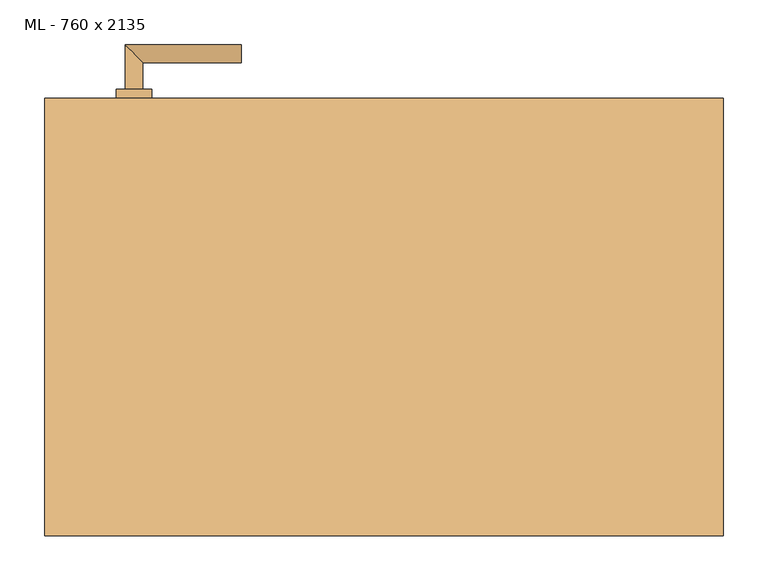
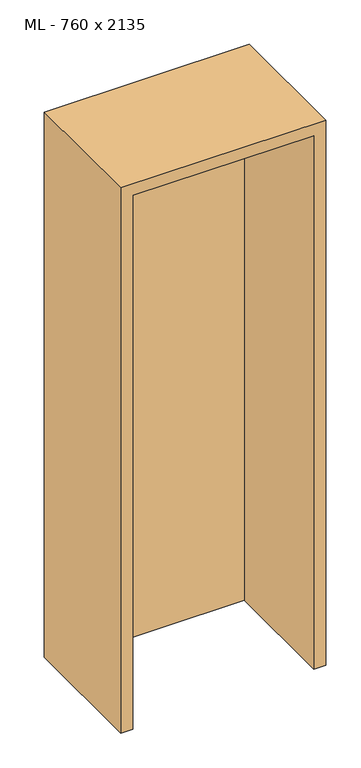
"""IFC4 building model written with IfcOpenShell, lengths in millimetres: door geometry, ML - 760 x 2135."""

from ifc_helpers import new_model, si_unit, point, frame, frame_2d, origin, origin_with_axes, place, context, project, spatial, polyline, circle_curve, ellipse_curve, trimmed, segment, composite_curve, outline, extrude, faceted_brep, source, transform, mapped, element, save
from ifc_brep_helpers import plane_surface, cylinder_surface, advanced_brep


def ml_760_x_2135_b088489d(model_context):
    return source(origin(), model_context, "Body", "SolidModel", [
        extrude(outline(polyline([(346.0, 245.0), (346.0, 200.0), (-346.0, 200.0), (-346.0, 245.0), (346.0, 245.0)])), origin_with_axes(), (0.0, 0.0, 1.0), 2101.0),
        advanced_brep(
        [(-270.0, 255.0, 1050.0), (-290.0, 255.0, 1050.0), (-270.0, 285.0, 1050.0), (-290.0, 305.0, 1050.0), (-160.0, 285.0, 1050.0), (-160.0, 305.0, 1050.0)],
        [
            (0, 1, circle_curve(frame((-280.0, 255.0, 1050.0), z_axis=(0.0, -1.0, 0.0), x_axis=(-1.0, 0.0, 0.0)), 10.0)),
            (1, 0, circle_curve(frame((-280.0, 255.0, 1050.0), z_axis=(0.0, -1.0, 0.0), x_axis=(-1.0, 0.0, 0.0)), 10.0)),
            (0, 2),
            (2, 3, ellipse_curve(frame((-280.0, 295.0, 1050.0), z_axis=(-0.7071067811865531, -0.7071067811865419, 0.0), x_axis=(0.707106781186542, -0.707106781186553, 0.0)), 14.1421356, 10.0)),
            (3, 1),
            (3, 2, ellipse_curve(frame((-280.0, 295.0, 1050.0), z_axis=(-0.7071067811865531, -0.7071067811865419, 0.0), x_axis=(0.707106781186542, -0.707106781186553, 0.0)), 14.1421356, 10.0)),
            (4, 5, circle_curve(frame((-160.0, 295.0, 1050.0), z_axis=(1.0, 0.0, 0.0), x_axis=(0.0, 1.0, 0.0)), 10.0)),
            (5, 4, circle_curve(frame((-160.0, 295.0, 1050.0), z_axis=(1.0, 0.0, 0.0), x_axis=(0.0, 1.0, 0.0)), 10.0)),
            (2, 4),
            (5, 3),
        ],
        [
            plane_surface(frame((-280.0, 255.0, 1050.0), z_axis=(0.0, -1.0, 0.0), x_axis=(0.0, 0.0, 1.0))),
            cylinder_surface(frame((-280.0, 255.0, 1050.0), z_axis=(0.0, -1.0, 0.0), x_axis=(-1.0, 0.0, 0.0)), 10.0),
            plane_surface(frame((-160.0, 295.0, 1050.0), z_axis=(1.0, 0.0, 0.0), x_axis=(0.0, 0.0, 1.0))),
            cylinder_surface(frame((-280.0, 295.0, 1050.0), z_axis=(-1.0, 0.0, 0.0), x_axis=(0.0, 1.0, 0.0)), 10.0),
        ],
        [
            (0, [[1, 2]]),
            (1, [[-1, 3, 4, 5]]),
            (1, [[-2, -5, 6, -3]]),
            (2, [[7, 8]]),
            (3, [[-4, 9, -8, 10]]),
            (3, [[-6, -10, -7, -9]]),
        ],
    ),
        extrude(outline(composite_curve([segment(trimmed(circle_curve(frame_2d((990.0, -280.0)), 20.0), [point((990.0, -300.0))], [point((990.0, -260.0))], False, "CARTESIAN"), True, "CONTINUOUS"), segment(trimmed(circle_curve(frame_2d((990.0, -280.0)), 20.0), [point((990.0, -260.0))], [point((990.0, -300.0))], False, "CARTESIAN"), True, "CONTINUOUS")], self_intersect=False), holes=[composite_curve([segment(polyline([(976.4601385, -282.397268), (988.4749012, -282.397268)]), True, "CONTINUOUS"), segment(trimmed(circle_curve(frame_2d((995.0361633, -280.0)), 6.9854888), [point((988.4749012, -282.397268))], [point((988.4749012, -277.602732))], True, "CARTESIAN"), True, "CONTINUOUS"), segment(polyline([(988.4749012, -277.602732), (976.4601385, -277.602732)]), True, "CONTINUOUS"), segment(trimmed(circle_curve(frame_2d((976.4601385, -280.0)), 2.397268), [point((976.4601385, -277.602732))], [point((976.4601385, -282.397268))], True, "CARTESIAN"), True, "CONTINUOUS")], self_intersect=False)]), frame((0.0, 245.0, 0.0), z_axis=(0.0, 1.0, 0.0), x_axis=(0.0, 0.0, 1.0)), (0.0, 0.0, 1.0), 10.0),
        advanced_brep(
        [(-270.0, 255.0, 1050.0), (-290.0, 255.0, 1050.0), (-270.0, 285.0, 1050.0), (-290.0, 305.0, 1050.0), (-160.0, 285.0, 1050.0), (-160.0, 305.0, 1050.0)],
        [
            (0, 1, circle_curve(frame((-280.0, 255.0, 1050.0), z_axis=(0.0, -1.0, 0.0), x_axis=(-1.0, 0.0, 0.0)), 10.0)),
            (1, 0, circle_curve(frame((-280.0, 255.0, 1050.0), z_axis=(0.0, -1.0, 0.0), x_axis=(-1.0, 0.0, 0.0)), 10.0)),
            (0, 2),
            (2, 3, ellipse_curve(frame((-280.0, 295.0, 1050.0), z_axis=(-0.7071067811865537, -0.7071067811865414, 0.0), x_axis=(0.7071067811865414, -0.7071067811865536, 0.0)), 14.1421356, 10.0)),
            (3, 1),
            (3, 2, ellipse_curve(frame((-280.0, 295.0, 1050.0), z_axis=(-0.7071067811865537, -0.7071067811865414, 0.0), x_axis=(0.7071067811865414, -0.7071067811865536, 0.0)), 14.1421356, 10.0)),
            (4, 5, circle_curve(frame((-160.0, 295.0, 1050.0), z_axis=(1.0, 0.0, 0.0), x_axis=(0.0, 1.0, 0.0)), 10.0)),
            (5, 4, circle_curve(frame((-160.0, 295.0, 1050.0), z_axis=(1.0, 0.0, 0.0), x_axis=(0.0, 1.0, 0.0)), 10.0)),
            (2, 4),
            (5, 3),
        ],
        [
            plane_surface(frame((-280.0, 255.0, 1050.0), z_axis=(0.0, -1.0, 0.0), x_axis=(0.0, 0.0, 1.0))),
            cylinder_surface(frame((-280.0, 255.0, 1050.0), z_axis=(0.0, -1.0, 0.0), x_axis=(-1.0, 0.0, 0.0)), 10.0),
            plane_surface(frame((-160.0, 295.0, 1050.0), z_axis=(1.0, 0.0, 0.0), x_axis=(0.0, 0.0, 1.0))),
            cylinder_surface(frame((-280.0, 295.0, 1050.0), z_axis=(-1.0, 0.0, 0.0), x_axis=(0.0, 1.0, 0.0)), 10.0),
        ],
        [
            (0, [[1, 2]]),
            (1, [[-1, 3, 4, 5]]),
            (1, [[-2, -5, 6, -3]]),
            (2, [[7, 8]]),
            (3, [[-4, 9, -8, 10]]),
            (3, [[-6, -10, -7, -9]]),
        ],
    ),
        extrude(outline(composite_curve([segment(trimmed(circle_curve(frame_2d((1050.0, -280.0)), 20.0), [point((1050.0, -300.0))], [point((1050.0, -260.0))], False, "CARTESIAN"), True, "CONTINUOUS"), segment(trimmed(circle_curve(frame_2d((1050.0, -280.0)), 20.0), [point((1050.0, -260.0))], [point((1050.0, -300.0))], False, "CARTESIAN"), True, "CONTINUOUS")], self_intersect=False)), frame((0.0, 245.0, 0.0), z_axis=(0.0, 1.0, 0.0), x_axis=(0.0, 0.0, 1.0)), (0.0, 0.0, 1.0), 10.0),
        advanced_brep(
        [(-270.0, 190.0, 1050.0), (-290.0, 190.0, 1050.0), (-290.0, 140.0, 1050.0), (-270.0, 160.0, 1050.0), (-160.0, 160.0, 1050.0), (-160.0, 140.0, 1050.0)],
        [
            (0, 1, circle_curve(frame((-280.0, 190.0, 1050.0), z_axis=(0.0, 1.0, 0.0), x_axis=(-1.0, 0.0, 0.0)), 10.0)),
            (1, 0, circle_curve(frame((-280.0, 190.0, 1050.0), z_axis=(0.0, 1.0, 0.0), x_axis=(-1.0, 0.0, 0.0)), 10.0)),
            (1, 2),
            (2, 3, ellipse_curve(frame((-280.0, 150.0, 1050.0), z_axis=(-0.7071067811865486, 0.7071067811865464, 0.0), x_axis=(0.7071067811865464, 0.7071067811865488, 0.0)), 14.1421356, 10.0)),
            (3, 0),
            (3, 2, ellipse_curve(frame((-280.0, 150.0, 1050.0), z_axis=(-0.7071067811865486, 0.7071067811865464, 0.0), x_axis=(0.7071067811865464, 0.7071067811865488, 0.0)), 14.1421356, 10.0)),
            (4, 5, circle_curve(frame((-160.0, 150.0, 1050.0), z_axis=(1.0, 0.0, 0.0), x_axis=(0.0, -1.0, 0.0)), 10.0)),
            (5, 4, circle_curve(frame((-160.0, 150.0, 1050.0), z_axis=(1.0, 0.0, 0.0), x_axis=(0.0, -1.0, 0.0)), 10.0)),
            (2, 5),
            (4, 3),
        ],
        [
            plane_surface(frame((-280.0, 190.0, 1050.0), z_axis=(0.0, 1.0, 0.0), x_axis=(0.0, 0.0, 1.0))),
            cylinder_surface(frame((-280.0, 190.0, 1050.0), z_axis=(0.0, 1.0, 0.0), x_axis=(-1.0, 0.0, 0.0)), 10.0),
            plane_surface(frame((-160.0, 150.0, 1050.0), z_axis=(1.0, 0.0, 0.0), x_axis=(0.0, 0.0, 1.0))),
            cylinder_surface(frame((-280.0, 150.0, 1050.0), z_axis=(-1.0, 0.0, 0.0), x_axis=(0.0, -1.0, 0.0)), 10.0),
        ],
        [
            (0, [[1, 2]]),
            (1, [[3, 4, 5, -2]]),
            (1, [[-5, 6, -3, -1]]),
            (2, [[7, 8]]),
            (3, [[9, -7, 10, -4]]),
            (3, [[-10, -8, -9, -6]]),
        ],
    ),
        extrude(outline(composite_curve([segment(trimmed(circle_curve(frame_2d((990.0, -280.0)), 20.0), [point((990.0, -300.0))], [point((990.0, -260.0))], False, "CARTESIAN"), True, "CONTINUOUS"), segment(trimmed(circle_curve(frame_2d((990.0, -280.0)), 20.0), [point((990.0, -260.0))], [point((990.0, -300.0))], False, "CARTESIAN"), True, "CONTINUOUS")], self_intersect=False), holes=[composite_curve([segment(polyline([(976.4601385, -282.397268), (988.4749012, -282.397268)]), True, "CONTINUOUS"), segment(trimmed(circle_curve(frame_2d((995.0361633, -280.0)), 6.9854888), [point((988.4749012, -282.397268))], [point((988.4749012, -277.602732))], True, "CARTESIAN"), True, "CONTINUOUS"), segment(polyline([(988.4749012, -277.602732), (976.4601385, -277.602732)]), True, "CONTINUOUS"), segment(trimmed(circle_curve(frame_2d((976.4601385, -280.0)), 2.397268), [point((976.4601385, -277.602732))], [point((976.4601385, -282.397268))], True, "CARTESIAN"), True, "CONTINUOUS")], self_intersect=False)]), frame((0.0, 190.0, 0.0), z_axis=(0.0, 1.0, 0.0), x_axis=(0.0, 0.0, 1.0)), (0.0, 0.0, 1.0), 10.0),
        advanced_brep(
        [(-270.0, 190.0, 1050.0), (-290.0, 190.0, 1050.0), (-290.0, 140.0, 1050.0), (-270.0, 160.0, 1050.0), (-160.0, 160.0, 1050.0), (-160.0, 140.0, 1050.0)],
        [
            (0, 1, circle_curve(frame((-280.0, 190.0, 1050.0), z_axis=(0.0, 1.0, 0.0), x_axis=(-1.0, 0.0, 0.0)), 10.0)),
            (1, 0, circle_curve(frame((-280.0, 190.0, 1050.0), z_axis=(0.0, 1.0, 0.0), x_axis=(-1.0, 0.0, 0.0)), 10.0)),
            (1, 2),
            (2, 3, ellipse_curve(frame((-280.0, 150.0, 1050.0), z_axis=(-0.7071067811865491, 0.7071067811865459, 0.0), x_axis=(0.7071067811865458, 0.7071067811865492, 0.0)), 14.1421356, 10.0)),
            (3, 0),
            (3, 2, ellipse_curve(frame((-280.0, 150.0, 1050.0), z_axis=(-0.7071067811865491, 0.7071067811865459, 0.0), x_axis=(0.7071067811865458, 0.7071067811865492, 0.0)), 14.1421356, 10.0)),
            (4, 5, circle_curve(frame((-160.0, 150.0, 1050.0), z_axis=(1.0, 0.0, 0.0), x_axis=(0.0, -1.0, 0.0)), 10.0)),
            (5, 4, circle_curve(frame((-160.0, 150.0, 1050.0), z_axis=(1.0, 0.0, 0.0), x_axis=(0.0, -1.0, 0.0)), 10.0)),
            (2, 5),
            (4, 3),
        ],
        [
            plane_surface(frame((-280.0, 190.0, 1050.0), z_axis=(0.0, 1.0, 0.0), x_axis=(0.0, 0.0, 1.0))),
            cylinder_surface(frame((-280.0, 190.0, 1050.0), z_axis=(0.0, 1.0, 0.0), x_axis=(-1.0, 0.0, 0.0)), 10.0),
            plane_surface(frame((-160.0, 150.0, 1050.0), z_axis=(1.0, 0.0, 0.0), x_axis=(0.0, 0.0, 1.0))),
            cylinder_surface(frame((-280.0, 150.0, 1050.0), z_axis=(-1.0, 0.0, 0.0), x_axis=(0.0, -1.0, 0.0)), 10.0),
        ],
        [
            (0, [[1, 2]]),
            (1, [[3, 4, 5, -2]]),
            (1, [[-5, 6, -3, -1]]),
            (2, [[7, 8]]),
            (3, [[9, -7, 10, -4]]),
            (3, [[-10, -8, -9, -6]]),
        ],
    ),
        extrude(outline(composite_curve([segment(trimmed(circle_curve(frame_2d((1050.0, -280.0)), 20.0), [point((1050.0, -300.0))], [point((1050.0, -260.0))], False, "CARTESIAN"), True, "CONTINUOUS"), segment(trimmed(circle_curve(frame_2d((1050.0, -280.0)), 20.0), [point((1050.0, -260.0))], [point((1050.0, -300.0))], False, "CARTESIAN"), True, "CONTINUOUS")], self_intersect=False)), frame((0.0, 190.0, 0.0), z_axis=(0.0, 1.0, 0.0), x_axis=(0.0, 0.0, 1.0)), (0.0, 0.0, 1.0), 10.0),
        faceted_brep([(-350.0, 245.0, 0.0), (-350.0, 200.0, 0.0), (-335.0, 200.0, 0.0), (-335.0, -245.0, 0.0), (-380.0, -245.0, 0.0), (-380.0, 245.0, 0.0), (-350.0, 245.0, 2105.0), (-350.0, 200.0, 2105.0), (350.0, 200.0, 2105.0), (350.0, 200.0, 0.0), (335.0, 200.0, 0.0), (335.0, 200.0, 2090.0), (-335.0, 200.0, 2090.0), (-335.0, -245.0, 2090.0), (335.0, -245.0, 2090.0), (335.0, -245.0, 0.0), (380.0, -245.0, 0.0), (380.0, -245.0, 2135.0), (-380.0, -245.0, 2135.0), (-380.0, 245.0, 2135.0), (380.0, 245.0, 2135.0), (380.0, 245.0, 0.0), (350.0, 245.0, 0.0), (350.0, 245.0, 2105.0)], [[[0, 1, 2, 3, 4, 5]], [[1, 0, 6, 7]], [[2, 1, 7, 8, 9, 10, 11, 12]], [[3, 2, 12, 13]], [[4, 3, 13, 14, 15, 16, 17, 18]], [[5, 4, 18, 19]], [[0, 5, 19, 20, 21, 22, 23, 6]], [[20, 17, 16, 21]], [[22, 21, 16, 15, 10, 9]], [[8, 23, 22, 9]], [[14, 11, 10, 15]], [[19, 18, 17, 20]], [[13, 12, 11, 14]], [[7, 6, 23, 8]]]),
    ])


if __name__ == "__main__":
    model = new_model("IFC4")
    model_context = context("Model", 3, world=origin())
    ifc_project = project(units=[si_unit("LENGTHUNIT", "METRE", prefix="MILLI")], contexts=[model_context])
    site = spatial("IfcSite", under=ifc_project)
    building = spatial("IfcBuilding", under=site)
    placement = place(None, origin())
    ml_760_x_2135_shape = ml_760_x_2135_b088489d(model_context)
    element("IfcDoor", 1, ObjectType="ML - 760 x 2135", at=placement, inside=building, context=model_context, shape_type="MappedRepresentation", body=[
        mapped(ml_760_x_2135_shape, transform((0.0, 0.0, 0.0), x_axis=(1.0, 0.0, 0.0), y_axis=(0.0, 1.0, 0.0), z_axis=(0.0, 0.0, 1.0))),
    ])
    save(model, "model.ifc")
